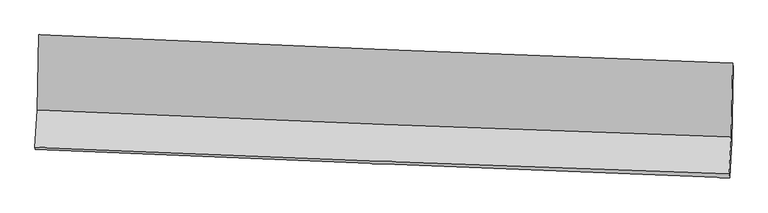
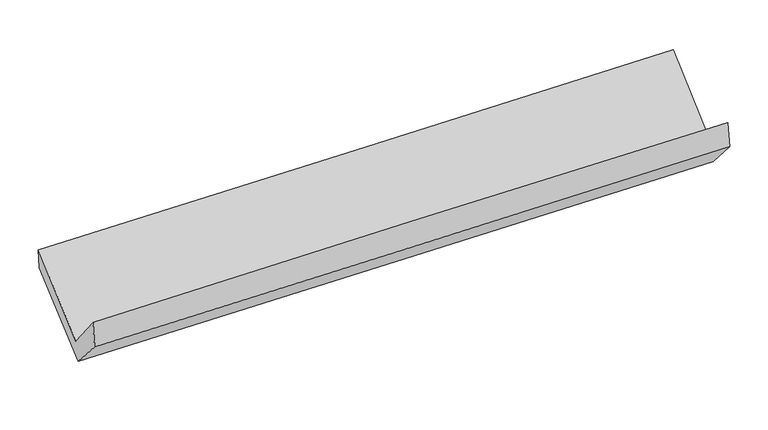
"""IFC4 building model written with IfcOpenShell, lengths in millimetres: proxy geometry."""

from ifc_helpers import new_model, si_unit, frame, origin, place, context, project, spatial, source, transform, mapped, element, save
from ifc_brep_helpers import plane_surface, spline_curve, spline_surface, advanced_brep


def generic_models_0ac90380(model_context):
    return source(origin(), model_context, "Body", "AdvancedBrep", [
        advanced_brep(
        [(-2372.6566005, -1115.5062988, 2188.0316162), (-2383.8811179, -1631.0990784, 1761.4919965), (2370.5269917, -1817.3796032, 1833.8935558), (2379.598467, -1311.2052995, 2265.4700785), (-2399.5005841, -1887.0754516, 2074.2861376), (2355.0457896, -2071.2096174, 2143.0075588), (-2396.4563369, -1902.1910824, 1885.6559564), (2357.8869111, -2097.3624769, 1961.5975492), (-2382.2357037, -1660.9390943, 1616.9791303), (2372.4302929, -1850.1288119, 1686.2596865), (-2370.2835468, -1125.3888286, 2044.7227724), (2382.2217211, -1337.3682973, 2094.5161206)],
        [
            (0, 1),
            (1, 2, spline_curve(3, [(-2383.8811179, -1631.0990784, 1761.4919965), (-1591.654108162, -1666.317428747, 1775.177537572), (-799.351197618, -1699.449598702, 1788.053622751), (785.451497203, -1761.543344252, 1812.187567821), (1577.951289657, -1790.504682598, 1823.445335728), (2370.5269917, -1817.3796032, 1833.8935558)], [4, 2, 4], [0.0, 7.804512998549272, 15.609469932356243])),
            (2, 3),
            (3, 0, spline_curve(3, [(2379.598467, -1311.2052995, 2265.4700785), (1587.505072271, -1280.748666991, 2251.606367127), (795.425856599, -1249.211606211, 2238.221136286), (-788.659164225, -1183.978483027, 2212.408369832), (-1580.664971232, -1150.282543777, 2199.980780084), (-2372.6566005, -1115.5062988, 2188.0316162)], [4, 2, 4], [0.0, 7.804956933806971, 15.609469932356243])),
            (1, 4),
            (4, 5, spline_curve(3, [(-2399.5005841, -1887.0754516, 2074.2861376), (-1607.379379285, -1922.182988872, 2093.339644545), (-815.117851461, -1955.080897581, 2108.593128545), (769.730923957, -2016.459204225, 2131.500701149), (1562.31818716, -2044.93935077, 2139.154357661), (2355.0457896, -2071.2096174, 2143.0075588)], [4, 2, 4], [0.0, 7.8059635456031184, 15.612371108973758])),
            (5, 2),
            (4, 6),
            (6, 7, spline_curve(3, [(-2396.4563369, -1902.1910824, 1885.6559564), (-1604.113032845, -1935.981472413, 1898.809013057), (-811.757378295, -1969.140505828, 1911.713834723), (773.023703065, -2034.197709007, 1937.027727007), (1565.449131088, -2066.095807382, 1949.436769917), (2357.8869111, -2097.3624769, 1961.5975492)], [4, 2, 4], [0.0, 7.806213261278729, 15.612870554529273])),
            (7, 5),
            (6, 8),
            (8, 9, spline_curve(3, [(-2382.2357037, -1660.9390943, 1616.9791303), (-1589.95647206, -1695.736176392, 1631.253424396), (-797.605960399, -1728.90012538, 1644.163825907), (787.282697029, -1791.963550152, 1667.25749988), (1579.820850936, -1821.862840555, 1677.440617142), (2372.4302929, -1850.1288119, 1686.2596865)], [4, 2, 4], [0.0, 7.806451656249758, 15.613347358031682])),
            (9, 7),
            (8, 10),
            (10, 11, spline_curve(3, [(-2370.2835468, -1125.3888286, 2044.7227724), (-1578.173759602, -1153.758898083, 2064.315547658), (-786.088023121, -1185.608287465, 2078.261423433), (798.080402468, -1256.267714298, 2094.859848829), (1590.163088567, -1295.078148118, 2097.511755546), (2382.2217211, -1337.3682973, 2094.5161206)], [4, 2, 4], [0.0, 7.805286078602492, 15.61101613643692])),
            (11, 9),
            (10, 0),
            (3, 11),
        ],
        [
            spline_surface(3, 3, [[(-2372.6566005, -1115.5062988, 2188.0316162), (-1580.664971246, -1150.282543653, 2199.98077997), (-788.659164251, -1183.978483053, 2212.408369894), (795.425856625, -1249.211606185, 2238.221136224), (1587.505072152, -1280.748667026, 2251.606367082), (2379.598467, -1311.2052995, 2265.4700785)], [(-2376.398106308, -1287.370558664, 2045.851742957), (-1584.32801686, -1322.294171973, 2058.379699138), (-792.223175328, -1355.802188248, 2070.956787484), (792.101070111, -1419.988852207, 2096.209946769), (1584.320478006, -1450.667338855, 2108.886023319), (2376.574641906, -1479.93006741, 2121.611237603)], [(-2380.139612092, -1459.234818536, 1903.671869743), (-1587.991062451, -1494.305800301, 1916.778618333), (-795.787186414, -1527.625893475, 1929.505205099), (788.77628359, -1590.766098262, 1954.198757339), (1581.135883844, -1620.586010655, 1966.165679547), (2373.550816794, -1648.65483529, 1977.752396697)], [(-2383.8811179, -1631.0990784, 1761.4919965), (-1591.654108065, -1666.317428621, 1775.1775375), (-799.351197491, -1699.44959867, 1788.053622689), (785.451497076, -1761.543344284, 1812.187567883), (1577.951289698, -1790.504682484, 1823.445335784), (2370.5269917, -1817.3796032, 1833.8935558)]], [4, 4], [4, 2, 4], [0.0, 2.1885722143391284], [0.0, 7.804512998549272, 15.609469932356243]),
            spline_surface(3, 3, [[(-2383.8811179, -1631.0990784, 1761.4919965), (-1591.654108065, -1666.317428621, 1775.1775375), (-799.351197491, -1699.44959867, 1788.053622689), (785.451497076, -1761.543344284, 1812.187567883), (1577.951289698, -1790.504682484, 1823.445335784), (2370.5269917, -1817.3796032, 1833.8935558)], [(-2389.087606649, -1716.424536124, 1865.756710185), (-1596.895865138, -1751.605948652, 1881.231573202), (-804.606748774, -1784.660031637, 1894.9001246), (780.211306032, -1846.515297596, 1918.625278968), (1572.740255546, -1875.316238525, 1928.681676425), (2365.366590997, -1901.989607918, 1936.931556779)], [(-2394.294095351, -1801.749993876, 1970.021423915), (-1602.137622163, -1836.89446871, 1987.285608949), (-809.862300111, -1869.870464611, 2001.746626578), (774.971114934, -1931.487250916, 2025.06299012), (1567.529221404, -1960.127794614, 2033.91801713), (2360.206190303, -1986.599612682, 2039.969557821)], [(-2399.5005841, -1887.0754516, 2074.2861376), (-1607.379379235, -1922.182988742, 2093.339644652), (-815.117851394, -1955.080897578, 2108.593128489), (769.73092389, -2016.459204229, 2131.500701205), (1562.318187253, -2044.939350656, 2139.15435777), (2355.0457896, -2071.2096174, 2143.0075588)]], [4, 4], [4, 2, 4], [0.0, 1.343804462254424], [0.0, 7.8059635456031184, 15.612371108973758]),
            spline_surface(3, 3, [[(-2399.5005841, -1887.0754516, 2074.2861376), (-1607.379379235, -1922.182988742, 2093.339644652), (-815.117851394, -1955.080897578, 2108.593128489), (769.73092389, -2016.459204229, 2131.500701205), (1562.318187253, -2044.939350656, 2139.15435777), (2355.0457896, -2071.2096174, 2143.0075588)], [(-2398.485835004, -1892.113995208, 2011.409410539), (-1606.290597055, -1926.782483328, 2028.496100821), (-813.99769368, -1959.767433657, 2042.966697221), (770.82851693, -2022.372039198, 2066.67637654), (1563.361835232, -2051.991502874, 2075.915161837), (2355.992830115, -2079.927237234, 2082.537555624)], [(-2397.471085996, -1897.152538792, 1948.532683461), (-1605.201814962, -1931.381977891, 1963.652556974), (-812.87753596, -1964.453969677, 1977.340265871), (771.926109976, -2028.284874109, 2001.852051793), (1564.405483166, -2059.04365509, 2012.675965832), (2356.939870585, -2088.644857066, 2022.067552376)], [(-2396.4563369, -1902.1910824, 1885.6559564), (-1604.113032782, -1935.981472477, 1898.809013143), (-811.757378246, -1969.140505756, 1911.713834603), (773.023703016, -2034.197709079, 1937.027727128), (1565.449131145, -2066.095807309, 1949.436769899), (2357.8869111, -2097.3624769, 1961.5975492)]], [4, 4], [4, 2, 4], [0.0, 0.6441899880053359], [0.0, 7.806213261278729, 15.612870554529273]),
            spline_surface(3, 3, [[(-2396.4563369, -1902.1910824, 1885.6559564), (-1604.113032782, -1935.981472477, 1898.809013143), (-811.757378246, -1969.140505756, 1911.713834603), (773.023703016, -2034.197709079, 1937.027727128), (1565.449131145, -2066.095807309, 1949.436769899), (2357.8869111, -2097.3624769, 1961.5975492)], [(-2391.716125861, -1821.773753025, 1796.097014384), (-1599.394179202, -1855.899707101, 1809.623816953), (-807.04023897, -1889.060378913, 1822.530498368), (777.776701018, -1953.452989464, 1847.104318009), (1570.23970441, -1984.684818401, 1858.771385635), (2362.734705019, -2014.951255242, 1869.818261609)], [(-2386.975914739, -1741.356423675, 1706.538072316), (-1594.675325541, -1775.817941751, 1720.438620711), (-802.323099681, -1808.980252105, 1733.347162191), (782.529699032, -1872.708269885, 1757.180908949), (1575.030277718, -1903.273829467, 1768.106001444), (2367.582498981, -1932.540033558, 1778.038974091)], [(-2382.2357037, -1660.9390943, 1616.9791303), (-1589.956471961, -1695.736176376, 1631.253424522), (-797.605960404, -1728.900125261, 1644.163825956), (787.282697034, -1791.96355027, 1667.257499831), (1579.820850983, -1821.86284056, 1677.440617179), (2372.4302929, -1850.1288119, 1686.2596865)]], [4, 4], [4, 2, 4], [0.0, 1.1855392410207362], [0.0, 7.806451656249758, 15.613347358031682]),
            spline_surface(3, 3, [[(-2382.2357037, -1660.9390943, 1616.9791303), (-1589.956471961, -1695.736176376, 1631.253424522), (-797.605960404, -1728.900125261, 1644.163825956), (787.282697034, -1791.96355027, 1667.257499831), (1579.820850983, -1821.86284056, 1677.440617179), (2372.4302929, -1850.1288119, 1686.2596865)], [(-2378.251651395, -1482.422339073, 1759.560344326), (-1586.028901142, -1515.07708364, 1775.607465553), (-793.766647961, -1547.80284594, 1788.863025156), (790.881932119, -1613.398271635, 1809.791616121), (1583.268263472, -1646.267943072, 1817.46432997), (2375.694102288, -1679.20864036, 1822.345164534)], [(-2374.267599105, -1303.905583827, 1902.141558374), (-1582.101330339, -1334.417990886, 1919.961506606), (-789.927335453, -1366.705566669, 1933.562224357), (794.481167271, -1434.83299305, 1952.325732414), (1586.715675997, -1470.673045606, 1957.48804276), (2378.957911712, -1508.28846884, 1958.430642566)], [(-2370.2835468, -1125.3888286, 2044.7227724), (-1578.17375952, -1153.75889815, 2064.315547637), (-786.08802301, -1185.608287347, 2078.261423557), (798.080402356, -1256.267714415, 2094.859848704), (1590.163088486, -1295.078148119, 2097.511755551), (2382.2217211, -1337.3682973, 2094.5161206)]], [4, 4], [4, 2, 4], [0.0, 2.265465450589245], [0.0, 7.805286078602492, 15.61101613643692]),
            spline_surface(3, 3, [[(-2370.2835468, -1125.3888286, 2044.7227724), (-1578.17375952, -1153.75889815, 2064.315547637), (-786.08802301, -1185.608287347, 2078.261423557), (798.080402356, -1256.267714415, 2094.859848704), (1590.163088486, -1295.078148119, 2097.511755551), (2382.2217211, -1337.3682973, 2094.5161206)], [(-2371.074564683, -1122.094652006, 2092.492387009), (-1579.004163412, -1152.600113324, 2109.537291757), (-786.945070083, -1185.065019271, 2122.97707236), (797.195553787, -1253.915678361, 2142.646944568), (1589.27708305, -1290.301654425, 2148.876626079), (2381.347303075, -1328.647298037, 2151.500773251)], [(-2371.865582617, -1118.800475394, 2140.262001591), (-1579.834567354, -1151.441328479, 2154.75903585), (-787.802117178, -1184.521751129, 2167.692721091), (796.310705194, -1251.56364224, 2190.434040361), (1588.391077588, -1285.525160721, 2200.241496553), (2380.472885025, -1319.926298763, 2208.485425849)], [(-2372.6566005, -1115.5062988, 2188.0316162), (-1580.664971246, -1150.282543653, 2199.98077997), (-788.659164251, -1183.978483053, 2212.408369894), (795.425856625, -1249.211606185, 2238.221136224), (1587.505072152, -1280.748667026, 2251.606367082), (2379.598467, -1311.2052995, 2265.4700785)]], [4, 4], [4, 2, 4], [0.0, 0.45553451550477164], [0.0, 7.803593105280212, 15.60763009349288]),
            plane_surface(frame((2369.6183622, -1747.442351, 1997.4574249), z_axis=(0.9991489858580955, -0.035627521916109434, 0.02078421855294327), x_axis=(0.014937129232481111, 0.7822321671318285, 0.6228079309663095))),
            plane_surface(frame((-2384.1689817, -1553.6999723, 1928.5279349), z_axis=(-0.9991103286479839, 0.03758149543501849, -0.019135892709396387), x_axis=(0.016517530991464555, -0.06878689486786728, -0.9974946286894898))),
        ],
        [
            (0, [[1, 2, 3, 4]]),
            (1, [[5, 6, 7, -2]]),
            (2, [[8, 9, 10, -6]]),
            (3, [[11, 12, 13, -9]]),
            (4, [[14, 15, 16, -12]]),
            (5, [[17, -4, 18, -15]]),
            (6, [[-16, -18, -3, -7, -10, -13]]),
            (7, [[-17, -14, -11, -8, -5, -1]]),
        ],
    ),
    ])


if __name__ == "__main__":
    model = new_model("IFC4")
    model_context = context("Model", 3, world=origin())
    ifc_project = project(units=[si_unit("LENGTHUNIT", "METRE", prefix="MILLI")], contexts=[model_context])
    site = spatial("IfcSite", under=ifc_project)
    building = spatial("IfcBuilding", under=site)
    placement = place(None, origin())
    generic_models_shape = generic_models_0ac90380(model_context)
    element("IfcBuildingElementProxy", 1, Name="Generic Models", at=placement, inside=building, context=model_context, shape_type="MappedRepresentation", body=[
        mapped(generic_models_shape, transform((0.0, 0.0, 0.0), x_axis=(1.0, 0.0, 0.0), y_axis=(0.0, 1.0, 0.0), z_axis=(0.0, 0.0, 1.0))),
    ])
    save(model, "model.ifc")
